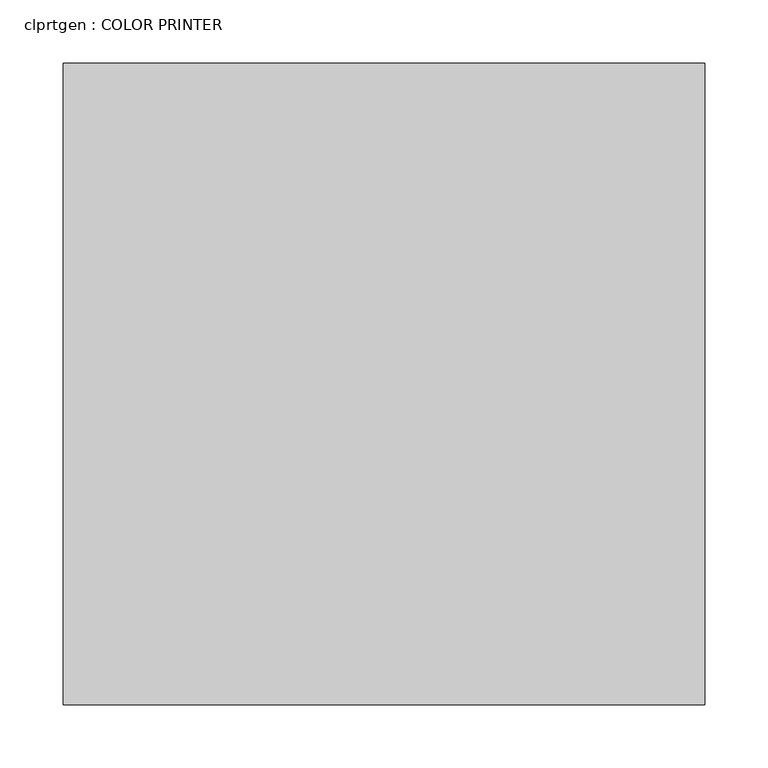
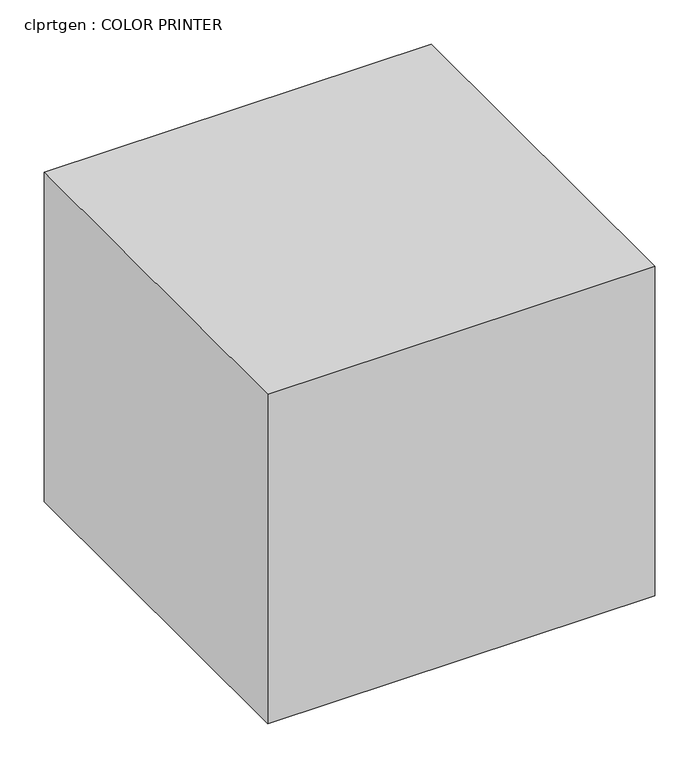
"""IFC4 building model written with IfcOpenShell, lengths in millimetres: proxy geometry, clprtgen : COLOR PRINTER."""

from ifc_helpers import new_model, si_unit, frame, origin, place, context, project, spatial, polyline, outline, extrude, source, transform, mapped, element, save


def clprtgen_color_printer_2e584c64(model_context):
    return source(origin(), model_context, "Body", "SweptSolid", [
        extrude(outline(polyline([(-74.6306378, -518.2970561), (-74.6306378, -10.2970561), (433.3693622, -10.2970561), (433.3693622, -518.2970561), (-74.6306378, -518.2970561)])), frame((0.0, 0.0, 914.4), z_axis=(0.0, 0.0, 1.0), x_axis=(1.0, 0.0, 0.0)), (0.0, 0.0, 1.0), 457.2),
    ])


if __name__ == "__main__":
    model = new_model("IFC4")
    model_context = context("Model", 3, world=origin())
    ifc_project = project(units=[si_unit("LENGTHUNIT", "METRE", prefix="MILLI")], contexts=[model_context])
    site = spatial("IfcSite", under=ifc_project)
    building = spatial("IfcBuilding", under=site)
    placement = place(None, origin())
    clprtgen_color_printer_shape = clprtgen_color_printer_2e584c64(model_context)
    element("IfcBuildingElementProxy", 1, Name="clprtgen : COLOR PRINTER", ObjectType="clprtgen : COLOR PRINTER", at=placement, inside=building, context=model_context, shape_type="MappedRepresentation", body=[
        mapped(clprtgen_color_printer_shape, transform((0.0, 0.0, 0.0), x_axis=(1.0, 0.0, 0.0), y_axis=(0.0, 1.0, 0.0), z_axis=(0.0, 0.0, 1.0))),
    ])
    save(model, "model.ifc")
